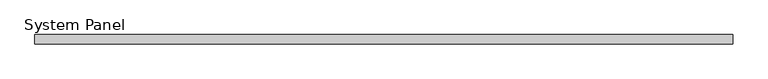
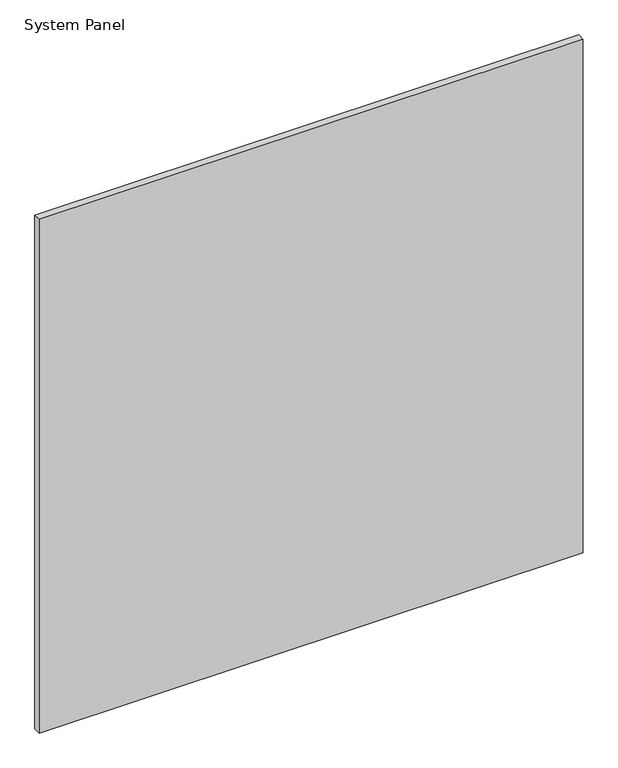
"""IFC4 building model written with IfcOpenShell, lengths in millimetres: plate geometry, System Panel."""

from ifc_helpers import new_model, si_unit, origin, origin_with_axes, place, context, project, spatial, polyline, outline, extrude, source, transform, mapped, element, save


def system_panel_d7be0ecd(model_context):
    return source(origin(), model_context, "Body", "SweptSolid", [
        extrude(outline(polyline([(595.0, -8.0), (-595.0, -8.0), (-595.0, 8.0), (595.0, 8.0), (595.0, -8.0)])), origin_with_axes(), (0.0, 0.0, 1.0), 1187.5),
    ])


if __name__ == "__main__":
    model = new_model("IFC4")
    model_context = context("Model", 3, world=origin())
    ifc_project = project(units=[si_unit("LENGTHUNIT", "METRE", prefix="MILLI")], contexts=[model_context])
    site = spatial("IfcSite", under=ifc_project)
    building = spatial("IfcBuilding", under=site)
    placement = place(None, origin())
    system_panel_shape = system_panel_d7be0ecd(model_context)
    element("IfcPlate", 1, ObjectType="System Panel", at=placement, inside=building, context=model_context, shape_type="MappedRepresentation", body=[
        mapped(system_panel_shape, transform((0.0, 0.0, 0.0), x_axis=(1.0, 0.0, 0.0), y_axis=(0.0, 1.0, 0.0), z_axis=(0.0, 0.0, 1.0))),
    ])
    save(model, "model.ifc")
